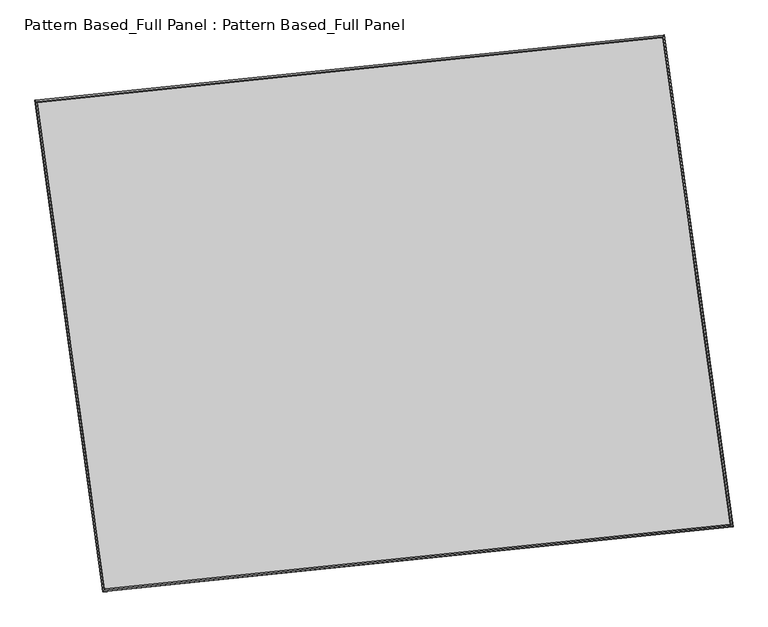
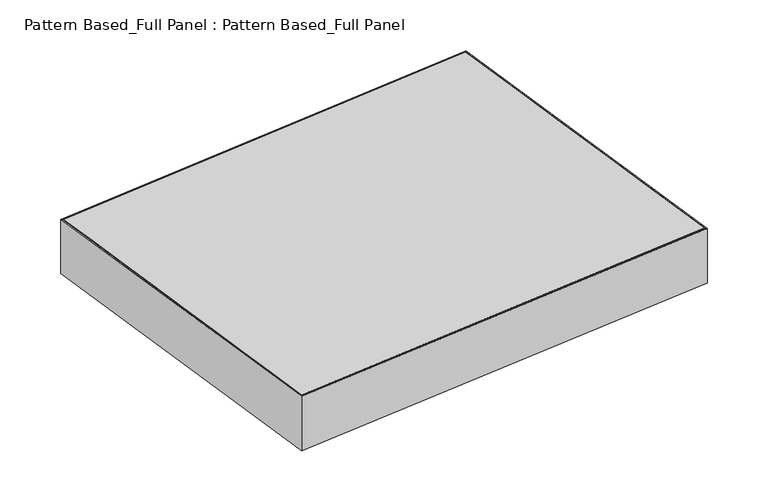
"""IFC4 building model written with IfcOpenShell, lengths in millimetres: plate geometry, Pattern Based_Full Panel : Pattern Based_Full Panel."""

from ifc_helpers import new_model, si_unit, frame, origin, place, context, project, spatial, faceted_brep, source, transform, mapped, element, save
from ifc_brep_helpers import plane_surface, spline_surface, advanced_brep


def pattern_based_full_panel_pattern_based_full_panel_197d2cb1(model_context):
    return source(origin(), model_context, "Body", "SolidModel", [
        advanced_brep(
        [(3778.8630125, 5056.140885, -153.1862457), (5210.1337503, 5204.996376, -151.6131956), (5210.1338035, 5204.9963848, -154.7881956), (3778.8630656, 5056.1408938, -156.3612457), (3929.9366304, 3956.3518241, -151.6390282), (3929.9366836, 3956.3518329, -154.8140282), (5363.5758473, 4105.0184459, -153.1607884), (5363.5759004, 4105.0184547, -156.3357884)],
        [
            (0, 1),
            (1, 2),
            (2, 3),
            (3, 0),
            (4, 0),
            (3, 5),
            (5, 4),
            (6, 4),
            (5, 7),
            (7, 6),
            (1, 6),
            (7, 2),
        ],
        [
            plane_surface(frame((4494.4983814, 5130.5686305, -152.3997206), z_axis=(-0.10344438308851792, 0.9946352394754593, 1.0157901820970037e-06), x_axis=(0.9946346452950081, 0.10344432017595408, 0.0010931615654619492))),
            plane_surface(frame((3854.3998215, 4506.2463546, -152.4126369), z_axis=(-0.9906967435529457, -0.13608806716888924, -1.6965402788264166e-05), x_axis=(-0.13608791158637482, 0.9906957846907669, -0.0013937417281593228))),
            plane_surface(frame((4646.7562389, 4030.685135, -152.3999083), z_axis=(0.10314566569726925, -0.994666261439899, -1.0208779730242796e-06), x_axis=(-0.9946657069403567, -0.10314560927997729, 0.0010558044813363976))),
            plane_surface(frame((5286.8547988, 4655.007411, -152.386992), z_axis=(0.9904102210327491, 0.1381578582130066, 1.696632351715015e-05), x_axis=(0.13815774751931117, -0.9904092563849431, -0.0013934372660257064))),
            spline_surface(1, 1, [[(5363.5759004, 4105.0184547, -156.3357884), (5210.1338035, 5204.9963848, -154.7881956)], [(3929.9366836, 3956.3518329, -154.8140282), (3778.8630656, 5056.1408938, -156.3612457)]], [2, 2], [2, 2], [0.0, 1.0], [0.0, 1.0]),
            spline_surface(1, 1, [[(3778.8630125, 5056.140885, -153.1862457), (5210.1337503, 5204.996376, -151.6131956)], [(3929.9366304, 3956.3518241, -151.6390282), (5363.5758473, 4105.0184459, -153.1607884)]], [2, 2], [2, 2], [0.0, 1.0], [0.0, 1.0]),
        ],
        [
            (0, [[1, 2, 3, 4]]),
            (1, [[5, -4, 6, 7]]),
            (2, [[8, -7, 9, 10]]),
            (3, [[11, -10, 12, -2]]),
            (4, [[-12, -9, -6, -3]]),
            (5, [[-1, -5, -8, -11]]),
        ],
    ),
        advanced_brep(
        [(3735.9373744, 5090.1921526, -0.8840938), (5242.9665916, 5246.4744757, 0.8840947), (5242.9670176, 5246.4745347, -24.5159053), (3735.9378004, 5090.1922117, -26.2840938), (3897.3978251, 3914.6956178, 0.8570046), (3897.3982511, 3914.6956769, -24.5429954), (5406.9093549, 4071.2328176, -0.8570071), (5406.9097808, 4071.2328767, -26.257007)],
        [
            (0, 1),
            (1, 2),
            (2, 3),
            (3, 0),
            (4, 0),
            (3, 5),
            (5, 4),
            (6, 4),
            (5, 7),
            (7, 6),
            (1, 6),
            (7, 2),
        ],
        [
            plane_surface(frame((4489.451983, 5168.3333142, 4e-07), z_axis=(-0.10314909473143109, 0.9946659058476608, 5.821564735504953e-07), x_axis=(0.9946652285649633, 0.10314902381264962, 0.0011670348353457819))),
            plane_surface(frame((3816.6675998, 4502.4438852, -0.0135446), z_axis=(-0.9906981977231233, -0.13607748065550931, -1.692940611711441e-05), x_axis=(-0.1360773095626409, 0.9906971346559054, -0.001467380922639912))),
            plane_surface(frame((4652.15359, 3992.9642177, -1.2e-06), z_axis=(0.10314743447960892, -0.9946660780181136, -5.82184712464754e-07), x_axis=(-0.9946654435606913, -0.10314736934707103, 0.0011294171028709663))),
            plane_surface(frame((5324.9379733, 4658.8536467, 0.0135438), z_axis=(0.9904100244355604, 0.13815926755360275, 1.692941230336536e-05), x_axis=(0.13815914345394278, -0.990408955020141, -0.0014672750202746475))),
            spline_surface(1, 1, [[(5406.9097808, 4071.2328767, -26.257007), (5242.9670176, 5246.4745347, -24.5159053)], [(3897.3982511, 3914.6956769, -24.5429954), (3735.9378004, 5090.1922117, -26.2840938)]], [2, 2], [2, 2], [0.0, 1.0], [0.0, 1.0]),
            spline_surface(1, 1, [[(3735.9373744, 5090.1921526, -0.8840938), (5242.9665916, 5246.4744757, 0.8840947)], [(3897.3978251, 3914.6956178, 0.8570046), (5406.9093549, 4071.2328176, -0.8570071)]], [2, 2], [2, 2], [0.0, 1.0], [0.0, 1.0]),
        ],
        [
            (0, [[1, 2, 3, 4]]),
            (1, [[5, -4, 6, 7]]),
            (2, [[8, -7, 9, 10]]),
            (3, [[11, -10, 12, -2]]),
            (4, [[-12, -9, -6, -3]]),
            (5, [[-1, -5, -8, -11]]),
        ],
    ),
        faceted_brep([(5246.2106768, 5253.1909711, 0.8982985), (5246.3118963, 5253.3889609, -202.3016144), (3728.4833849, 5095.9871851, -204.1012578), (3728.7571595, 5095.828083, -0.9009003), (5243.4895764, 5249.7167626, 0.89177), (3732.3492429, 5093.0085639, -0.8999435), (5243.5053919, 5249.7476985, -30.8582164), (3732.3064656, 5093.0334237, -32.6499994), (5208.1310857, 5204.5829873, -30.943088), (3779.0035502, 5056.3796757, -32.6375615), (5208.2164896, 5204.7500412, -202.3930146), (3778.7725528, 5056.5139181, -204.0878631), (3891.7404335, 3907.4106997, -202.3260412), (3891.9457905, 3907.7497053, 0.8735724), (3894.6733077, 3911.2245735, 0.865128), (3894.6412207, 3911.1716039, -30.8848116), (3930.0989443, 3956.3448899, -30.9945876), (3929.9256743, 3956.0588539, -202.4442616), (5414.5317906, 4065.3254844, -204.0739156), (5414.102791, 4065.5987067, -0.8735739), (5410.5038384, 4068.4175144, -0.8747566), (5410.5708696, 4068.3748235, -32.62481), (5363.7844858, 4105.0193242, -32.6401855), (5364.1464542, 4104.7887929, -204.0904738), (5248.7290559, 5253.9005512, -202.2983127), (5248.4054051, 5253.4185687, 0.9009008), (5245.6843089, 5249.944367, 0.890317), (5245.7348793, 5250.0196767, -30.8595601), (5210.3606283, 5204.8550538, -30.9971496), (5210.6337086, 5205.2617265, -202.446486), (5248.5066248, 5253.6165588, -202.2991779)], [[[0, 1, 2, 3]], [[4, 0, 3, 5]], [[6, 4, 5, 7]], [[8, 6, 7, 9]], [[10, 8, 9, 11]], [[1, 10, 11, 2]], [[3, 2, 12, 13]], [[5, 3, 13, 14]], [[7, 5, 14, 15]], [[9, 7, 15, 16]], [[11, 9, 16, 17]], [[2, 11, 17, 12]], [[13, 12, 18, 19]], [[14, 13, 19, 20]], [[15, 14, 20, 21]], [[16, 15, 21, 22]], [[17, 16, 22, 23]], [[12, 17, 23, 18]], [[19, 18, 24, 25]], [[20, 19, 25, 26]], [[21, 20, 26, 27]], [[22, 21, 27, 28]], [[23, 22, 28, 29]], [[18, 23, 29, 30, 24]], [[1, 0, 4, 6, 8, 10]], [[24, 30, 29, 28, 27, 26, 25]]]),
        advanced_brep(
        [(5242.9665916, 5246.4744757, 0.8840947), (3735.9373744, 5090.1921526, -0.8840938), (3735.9373611, 5090.1921508, -0.0903438), (5242.9665783, 5246.4744739, 1.6778447), (3897.3978251, 3914.6956178, 0.8570046), (3897.3978118, 3914.695616, 1.6507546), (5406.9093549, 4071.2328176, -0.8570071), (5406.9093416, 4071.2328158, -0.0632571)],
        [
            (0, 1),
            (1, 2),
            (2, 3),
            (3, 0),
            (1, 4),
            (4, 5),
            (5, 2),
            (4, 6),
            (6, 7),
            (7, 5),
            (6, 0),
            (3, 7),
        ],
        [
            plane_surface(frame((4489.451983, 5168.3333142, 4e-07), z_axis=(-0.10314909473143129, 0.9946659058476608, 5.821566497673787e-07), x_axis=(-0.9946652285649633, -0.10314902381264962, -0.0011670348353457819))),
            plane_surface(frame((3816.6675998, 4502.4438852, -0.0135446), z_axis=(-0.9906981977231233, -0.1360774806555092, -1.6929406055847746e-05), x_axis=(0.1360773095626409, -0.9906971346559054, 0.001467380922639912))),
            plane_surface(frame((4652.15359, 3992.9642177, -1.2e-06), z_axis=(0.10314743447960872, -0.9946660780181136, -5.821848908802774e-07), x_axis=(0.9946654435606913, 0.10314736934707103, -0.0011294171028709663))),
            plane_surface(frame((5324.9379733, 4658.8536467, 0.0135438), z_axis=(0.9904100244355603, 0.13815926755360278, 1.6929412287646948e-05), x_axis=(-0.13815914345394278, 0.990408955020141, 0.0014672750202746475))),
            spline_surface(1, 1, [[(3735.9373611, 5090.1921508, -0.0903438), (5242.9665783, 5246.4744739, 1.6778447)], [(3897.3978118, 3914.695616, 1.6507546), (5406.9093416, 4071.2328158, -0.0632571)]], [2, 2], [2, 2], [0.0, 1.0], [0.0, 1.0]),
            spline_surface(1, 1, [[(5406.9093549, 4071.2328176, -0.8570071), (5242.9665916, 5246.4744757, 0.8840947)], [(3897.3978251, 3914.6956178, 0.8570046), (3735.9373744, 5090.1921526, -0.8840938)]], [2, 2], [2, 2], [0.0, 1.0], [0.0, 1.0]),
        ],
        [
            (0, [[1, 2, 3, 4]]),
            (1, [[5, 6, 7, -2]]),
            (2, [[8, 9, 10, -6]]),
            (3, [[11, -4, 12, -9]]),
            (4, [[-3, -7, -10, -12]]),
            (5, [[-11, -8, -5, -1]]),
        ],
    ),
    ])


if __name__ == "__main__":
    model = new_model("IFC4")
    model_context = context("Model", 3, world=origin())
    ifc_project = project(units=[si_unit("LENGTHUNIT", "METRE", prefix="MILLI")], contexts=[model_context])
    site = spatial("IfcSite", under=ifc_project)
    building = spatial("IfcBuilding", under=site)
    placement = place(None, origin())
    pattern_based_full_panel_pattern_based_full_panel_shape = pattern_based_full_panel_pattern_based_full_panel_197d2cb1(model_context)
    element("IfcPlate", 1, ObjectType="Pattern Based_Full Panel : Pattern Based_Full Panel", at=placement, inside=building, context=model_context, shape_type="MappedRepresentation", body=[
        mapped(pattern_based_full_panel_pattern_based_full_panel_shape, transform((0.0, 0.0, 0.0), x_axis=(1.0, 0.0, 0.0), y_axis=(0.0, 1.0, 0.0), z_axis=(0.0, 0.0, 1.0))),
    ])
    save(model, "model.ifc")
